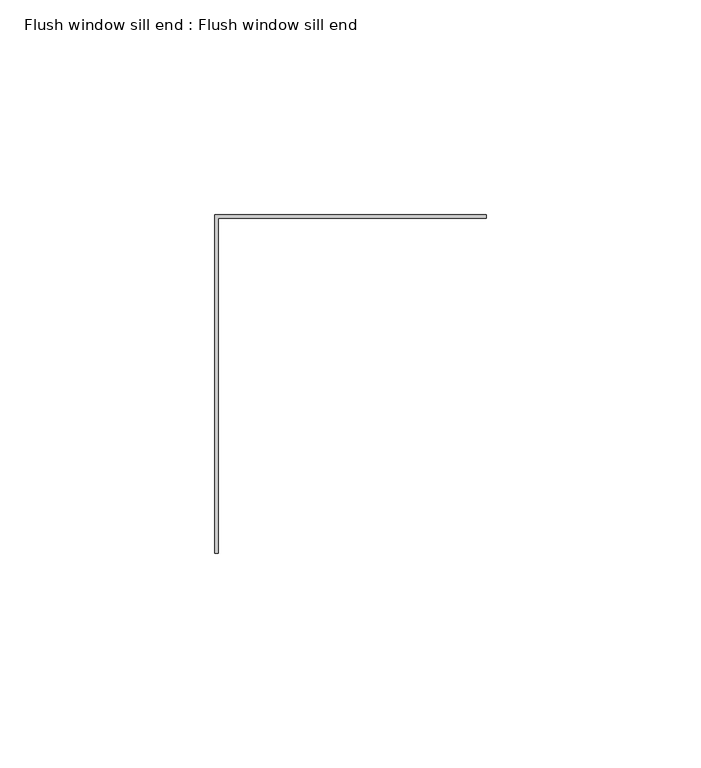
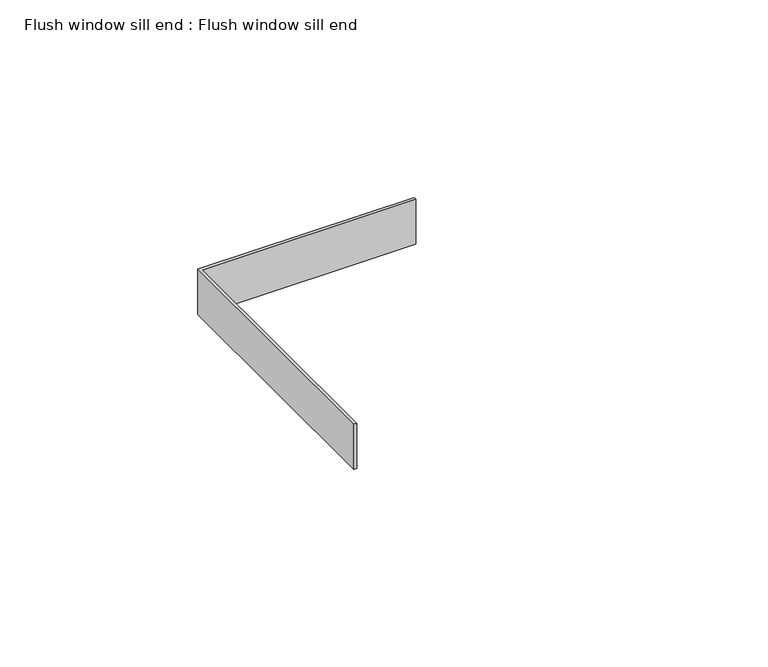
"""IFC4 building model written with IfcOpenShell, lengths in millimetres: proxy geometry, Flush window sill end : Flush window sill end."""

from ifc_helpers import new_model, si_unit, frame, origin, place, context, project, spatial, polyline, outline, extrude, source, transform, mapped, element, save


def flush_window_sill_end_flush_window_sill_end_780f0b00(model_context):
    return source(origin(), model_context, "Body", "SweptSolid", [
        extrude(outline(polyline([(12428.3060838, 471.3615096), (12427.4791786, 471.3615096), (12427.4791786, 550.3594915), (12490.7910961, 550.3594915), (12490.7910961, 549.5325864), (12428.3060838, 549.5325864), (12428.3060838, 471.3615096)])), frame((0.0, 0.0, -885.662203), z_axis=(0.0, 0.0, 1.0), x_axis=(1.0, 0.0, 0.0)), (0.0, 0.0, 1.0), 13.9452881),
    ])


if __name__ == "__main__":
    model = new_model("IFC4")
    model_context = context("Model", 3, world=origin())
    ifc_project = project(units=[si_unit("LENGTHUNIT", "METRE", prefix="MILLI")], contexts=[model_context])
    site = spatial("IfcSite", under=ifc_project)
    building = spatial("IfcBuilding", under=site)
    placement = place(None, origin())
    flush_window_sill_end_flush_window_sill_end_shape = flush_window_sill_end_flush_window_sill_end_780f0b00(model_context)
    element("IfcBuildingElementProxy", 1, Name="Flush window sill end : Flush window sill end", ObjectType="Flush window sill end : Flush window sill end", at=placement, inside=building, context=model_context, shape_type="MappedRepresentation", body=[
        mapped(flush_window_sill_end_flush_window_sill_end_shape, transform((0.0, 0.0, 0.0), x_axis=(1.0, 0.0, 0.0), y_axis=(0.0, 1.0, 0.0), z_axis=(0.0, 0.0, 1.0))),
    ])
    save(model, "model.ifc")
